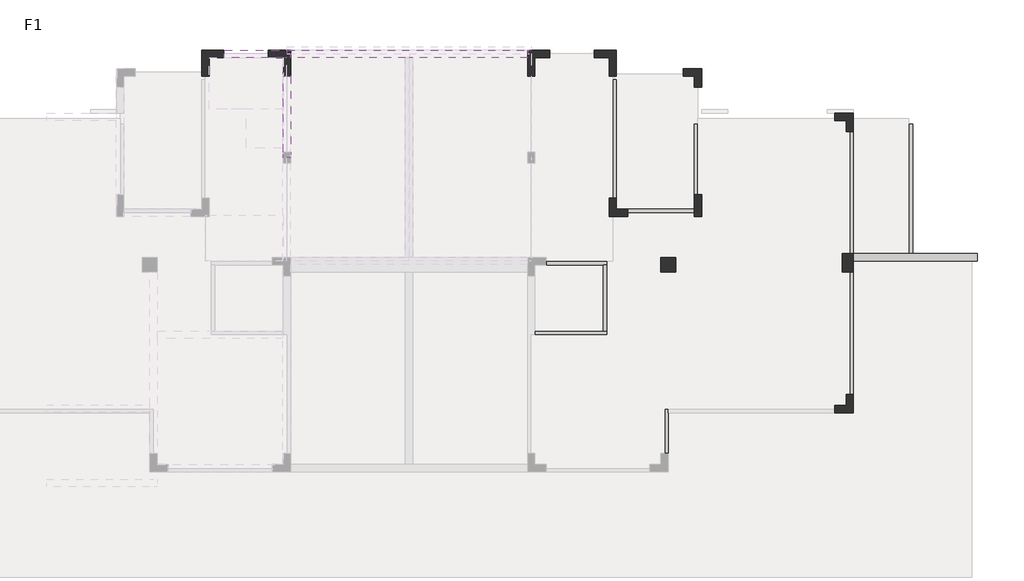
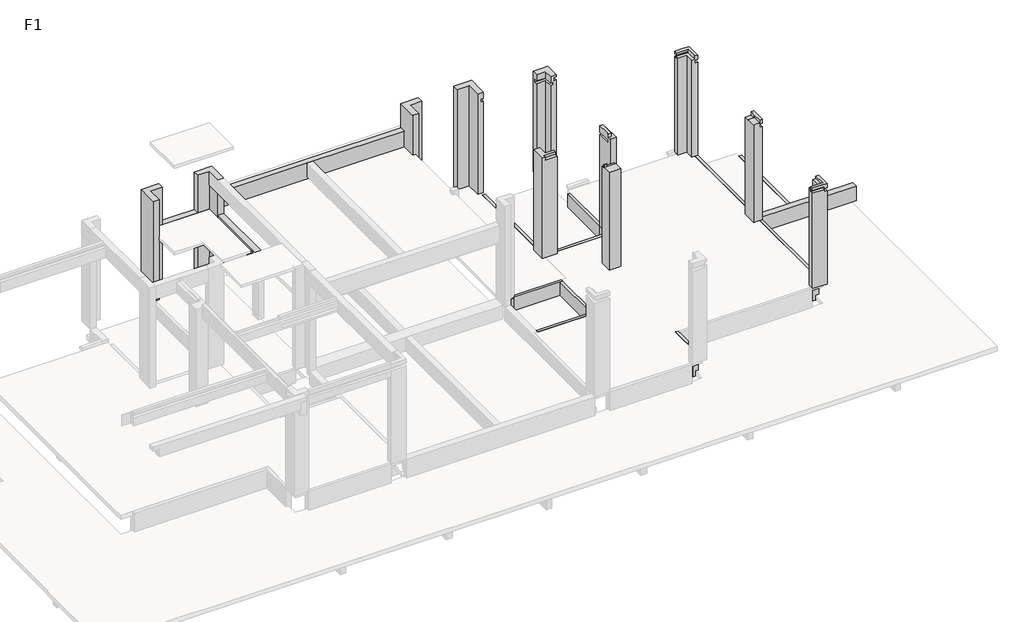
# One storey, part 4 of 4: 15 beams, 11 columns.
"""IFC4 building model written with IfcOpenShell, lengths in millimetres."""

from ifc_helpers import new_model, si_unit, frame, origin, place, context, project, spatial, polyline, outline, extrude, faceted_brep, element, save

model = new_model("IFC4")

# Units and contexts
model_context = context("Model", 3, world=origin())
ifc_project = project(units=[si_unit("LENGTHUNIT", "METRE", prefix="MILLI")], contexts=[model_context])

# Site, building, storey
site = spatial("IfcSite", under=ifc_project)
building = spatial("IfcBuilding", under=site)
storey = spatial("IfcBuildingStorey", under=building, Name="F1", Elevation=-40.0)

# Beams
placement = place(None, origin())
element("IfcBeam", 1, at=placement, inside=storey, context=model_context, shape_type="SweptSolid", body=[
    extrude(outline(polyline([(-890.0, 7632.0511192), (-890.0, 7832.0511192), (-870.0, 7832.0511192), (-870.0, 7732.0511192), (-720.0, 7732.0511192), (-720.0, 7832.0511192), (-40.0, 7832.0511192), (-40.0, 7731.9789316), (-190.0, 7731.9789316), (-190.0, 7632.0511192), (-890.0, 7632.0511192)])), frame((0.0, 4151.1929535, 0.0), z_axis=(0.0, 1.0, 0.0), x_axis=(0.0, 0.0, 1.0)), (0.0, 0.0, 1.0), 3299.9999949),
    extrude(outline(polyline([(-890.0, 7632.0511192), (-890.0, 7832.0511192), (-870.0, 7832.0511192), (-870.0, 7732.0511192), (-720.0, 7732.0511192), (-720.0, 7832.0511192), (-40.0, 7832.0511192), (-40.0, 7731.9789316), (-190.0, 7731.9789316), (-190.0, 7632.0511192), (-890.0, 7632.0511192)])), frame((0.0, 351.187898, 0.0), z_axis=(0.0, 1.0, 0.0), x_axis=(0.0, 0.0, 1.0)), (0.0, 0.0, 1.0), 3300.0050556),
])
element("IfcBeam", 2, at=placement, inside=storey, context=model_context, shape_type="Brep", body=[
    faceted_brep([(2632.0511192, 5351.187898, -890.0), (2632.0511192, 4051.1929485, -890.0), (2632.0511192, 4051.1929485, -190.0), (2632.0511192, 5151.187898, -190.0), (2632.0511192, 5151.187898, -640.0), (2632.0511192, 5251.187898, -640.0), (2632.0511192, 5251.187898, -670.0), (2632.0511192, 5351.187898, -670.0), (2832.0511192, 5351.187898, -890.0), (2832.0511192, 4051.1929485, -890.0), (2832.0511192, 5351.187898, -670.0), (2832.0511192, 5251.187898, -670.0), (2832.0511192, 5251.187898, -640.0), (2832.0511192, 5151.187898, -640.0), (2832.0511192, 5151.187898, -190.0), (2832.0511192, 4051.1929485, -190.0)], [[[0, 1, 2, 3, 4, 5, 6, 7]], [[0, 8, 9, 1]], [[9, 8, 10, 11, 12, 13, 14, 15]], [[13, 4, 3, 14]], [[4, 13, 12, 5]], [[8, 0, 7, 10]], [[1, 9, 15, 2]], [[6, 11, 10, 7]], [[11, 6, 5, 12]], [[3, 2, 15, 14]]]),
    faceted_brep([(2632.0511192, -1248.8070515, -890.0), (2832.0511192, -1248.8070515, -890.0), (2832.0511192, -1248.8070515, -870.0), (2732.0511192, -1248.8070515, -870.0), (2732.0511192, -1248.8070515, -720.0), (2832.0511192, -1248.8070515, -720.0), (2832.0511192, -1248.8070515, -40.0), (2731.9789316, -1248.8070515, -40.0), (2731.9789316, -1248.8070515, -190.0), (2632.0511192, -1248.8070515, -190.0), (2832.0511192, 3651.1929485, -890.0), (2632.0511192, 3651.1929485, -890.0), (2632.0511192, 3651.1929485, -190.0), (2832.0511192, 3651.1929485, -190.0), (2832.0511192, -148.812102, -40.0), (2832.0511192, -48.812102, -40.0), (2731.9789316, -48.812102, -40.0), (2632.0511192, 1851.187898, -190.0), (2632.0511192, 2051.187898, -190.0), (2832.0511192, 51.187898, -890.0), (2832.0511192, -148.812102, -890.0), (2832.0511192, 51.187898, -190.0), (2832.0511192, -48.812102, -190.0), (2832.0511192, -148.812102, -720.0), (2832.0511192, -98.0569283, -720.0), (2832.0511192, -98.0569283, -870.0), (2832.0511192, -148.812102, -870.0), (2732.0511192, -98.0569283, -870.0), (2732.0511192, -98.0569283, -720.0), (2731.9789316, -48.812102, -190.0)], [[[0, 1, 2, 3, 4, 5, 6, 7, 8, 9]], [[10, 11, 12, 13]], [[7, 6, 14, 15, 16]], [[11, 0, 9, 17, 18, 12]], [[1, 0, 11, 10, 19, 20]], [[1, 20, 19, 10, 13, 21, 22, 15, 14, 6, 5, 23, 24, 25, 26, 2]], [[25, 27, 3, 2, 26]], [[4, 28, 24, 23, 5]], [[27, 28, 4, 3]], [[28, 27, 25, 24]], [[8, 29, 22, 21, 13, 12, 18, 17, 9]], [[16, 29, 8, 7]], [[29, 16, 15, 22]]]),
])
element("IfcBeam", 3, at=placement, inside=storey, context=model_context, shape_type="Brep", body=[
    faceted_brep([(10882.040023, 4051.187898, -720.0), (10882.040023, 4151.187898, -720.0), (9432.0511192, 4151.187898, -720.0), (9332.0511192, 4151.187898, -720.0), (9332.0511192, 4051.187898, -720.0), (7832.0104701, 3951.187898, -1220.0), (10882.040023, 3951.187898, -1220.0), (10882.040023, 3951.187898, -870.0), (7832.0104701, 3951.187898, -870.0), (10882.040023, 4151.187898, -1220.0), (7832.0104701, 4151.187898, -1220.0), (9232.0511192, 4151.187898, -1220.0), (9432.0511192, 4151.187898, -1220.0), (7832.0104701, 4151.187898, -870.0), (9232.0511192, 4151.187898, -870.0), (9332.0511192, 4151.187898, -870.0), (10882.040023, 4051.187898, -870.0), (9332.0511192, 4051.187898, -870.0)], [[[0, 1, 2, 3, 4]], [[5, 6, 7, 8]], [[9, 6, 5, 10, 11, 12]], [[1, 9, 12, 11, 10, 13, 14, 15, 3, 2]], [[6, 9, 1, 0, 16, 7]], [[10, 5, 8, 13]], [[16, 17, 15, 14, 13, 8, 7]], [[17, 4, 3, 15]], [[4, 17, 16, 0]]]),
])
element("IfcBeam", 4, at=placement, inside=storey, context=model_context, shape_type="SweptSolid", body=[
    extrude(outline(polyline([(7532.0104701, 4051.187898), (7532.0104701, 3851.187898), (3032.0511192, 3851.187898), (3032.0511192, 4051.187898), (7532.0104701, 4051.187898)])), frame((0.0, 0.0, -540.0), z_axis=(0.0, 0.0, 1.0), x_axis=(1.0, 0.0, 0.0)), (0.0, 0.0, 1.0), 350.0),
])
element("IfcBeam", 5, at=placement, inside=storey, context=model_context, shape_type="Brep", body=[
    faceted_brep([(-467.985891, 3851.187898, -40.0), (1082.0530225, 3851.187898, -40.0), (1181.9808349, 3851.187898, -40.0), (1181.9808349, 3951.187898, -40.0), (-467.985891, 3951.187898, -40.0), (-467.985891, 3851.187898, -520.0), (1082.0530225, 3851.187898, -520.0), (1182.0530225, 3851.187898, -520.0), (1182.0530225, 3851.187898, -640.0), (1282.0530225, 3851.187898, -640.0), (2632.0511192, 3851.187898, -640.0), (2632.0511192, 3851.187898, -190.0), (1282.0530225, 3851.187898, -190.0), (1181.9808349, 3851.187898, -190.0), (-467.985891, 4051.187898, -640.0), (1232.0511192, 4051.187898, -640.0), (1432.0511192, 4051.187898, -640.0), (2632.0511192, 4051.187898, -640.0), (1182.0530225, 3950.9392838, -640.0), (-467.985891, 3950.9392838, -640.0), (-467.985891, 4051.187898, -140.0), (1232.0511192, 4051.187898, -140.0), (1332.0511192, 4051.187898, -140.0), (1332.0511192, 4051.187898, -190.0), (1432.0511192, 4051.187898, -190.0), (2632.0511192, 4051.187898, -190.0), (-467.985891, 3951.187898, -140.0), (-467.985891, 3950.9392838, -520.0), (1182.0530225, 3950.9392838, -520.0), (1181.9808349, 3951.187898, -190.0), (1181.9808349, 3951.187898, -140.0), (1332.0511192, 3951.187898, -190.0), (1332.0511192, 3951.187898, -140.0)], [[[0, 1, 2, 3, 4]], [[0, 5, 6, 7, 8, 9, 10, 11, 12, 13, 2, 1]], [[14, 15, 16, 17, 10, 9, 8, 18, 19]], [[17, 16, 15, 14, 20, 21, 22, 23, 24, 25]], [[5, 0, 4, 26, 20, 14, 19, 27]], [[10, 17, 25, 11]], [[28, 7, 6, 5, 27]], [[7, 28, 18, 8]], [[28, 27, 19, 18]], [[2, 13, 29, 30, 3]], [[29, 13, 12, 11, 25, 24, 23, 31]], [[29, 31, 32, 30]], [[31, 23, 22, 32]], [[26, 30, 32, 22, 21, 20]], [[30, 26, 4, 3]]]),
])
element("IfcBeam", 6, at=placement, inside=storey, context=model_context, shape_type="SweptSolid", body=[
    extrude(outline(polyline([(-40.0, 3532.0511192), (-520.0, 3532.0511192), (-520.0, 3632.0511192), (-640.0, 3632.0511192), (-640.0, 3732.0511192), (-190.0, 3732.0511192), (-190.0, 3631.9789316), (-40.0, 3631.9789316), (-40.0, 3532.0511192)])), frame((0.0, 5751.187898, 0.0), z_axis=(0.0, 1.0, 0.0), x_axis=(0.0, 0.0, 1.0)), (0.0, 0.0, 1.0), 1900.0050505),
])
element("IfcBeam", 7, at=placement, inside=storey, context=model_context, shape_type="Brep", body=[
    faceted_brep([(3532.0511192, 5351.187898, -40.0), (1732.0511192, 5351.187898, -40.0), (1732.0511192, 5251.187898, -40.0), (3532.0511192, 5251.187898, -40.0), (1732.0511192, 5151.187898, -640.0), (2632.0511192, 5151.187898, -640.0), (2832.0511192, 5151.187898, -640.0), (3532.0511192, 5151.187898, -640.0), (3532.0511192, 5151.187898, -190.0), (2832.0511192, 5151.187898, -190.0), (2632.0511192, 5151.187898, -190.0), (1732.0511192, 5151.187898, -190.0), (1732.0511192, 5251.187898, -640.0), (2632.0511192, 5251.187898, -640.0), (2832.0511192, 5251.187898, -640.0), (3532.0511192, 5251.187898, -640.0), (3532.0511192, 5351.187898, -520.0), (1732.0511192, 5351.187898, -520.0), (3532.0511192, 5251.187898, -520.0), (3532.0511192, 5251.187898, -190.0), (1732.0511192, 5251.187898, -190.0), (1732.0511192, 5251.187898, -520.0)], [[[0, 1, 2, 3]], [[4, 5, 6, 7, 8, 9, 10, 11]], [[7, 6, 5, 4, 12, 13, 14, 15]], [[1, 0, 16, 17]], [[7, 15, 18, 16, 0, 3, 19, 8]], [[12, 4, 11, 20, 2, 1, 17, 21]], [[18, 21, 17, 16]], [[21, 18, 15, 14, 13, 12]], [[20, 19, 3, 2]], [[19, 20, 11, 10, 9, 8]]]),
])
element("IfcBeam", 8, at=placement, inside=storey, context=model_context, shape_type="SweptSolid", body=[
    extrude(outline(polyline([(-640.0, 1232.0511192), (-640.0, 1432.0511192), (-190.0, 1432.0511192), (-190.0, 1332.0511192), (-140.0, 1332.0511192), (-140.0, 1232.0511192), (-640.0, 1232.0511192)])), frame((0.0, 4051.187898, 0.0), z_axis=(0.0, 1.0, 0.0), x_axis=(0.0, 0.0, 1.0)), (0.0, 0.0, 1.0), 1100.0),
    extrude(outline(polyline([(-520.0, 1432.0511192), (-40.0, 1432.0511192), (-40.0, 1332.0511192), (-140.0, 1332.0511192), (-140.0, 1232.0511192), (-640.0, 1232.0511192), (-640.0, 1382.0141323), (-520.0, 1382.0141323), (-520.0, 1432.0511192)])), frame((0.0, 5651.187898, 0.0), z_axis=(0.0, 1.0, 0.0), x_axis=(0.0, 0.0, 1.0)), (0.0, 0.0, 1.0), 3200.0100032),
])
element("IfcBeam", 9, at=placement, inside=storey, context=model_context, shape_type="Brep", body=[
    faceted_brep([(1181.9808349, 2051.187898, -40.0), (1082.0530225, 2051.187898, -40.0), (-767.9488808, 2051.187898, -40.0), (-767.9488808, 1951.187898, -40.0), (1181.9808349, 1951.187898, -40.0), (-767.9488808, 1851.187898, -640.0), (2632.0511192, 1851.187898, -640.0), (2632.0511192, 1851.187898, -190.0), (-767.9488808, 1851.187898, -190.0), (2632.0511192, 2051.187898, -640.0), (-767.9488808, 1951.187898, -640.0), (1182.0530225, 1951.187898, -640.0), (1182.0530225, 2051.187898, -640.0), (1282.0530225, 2051.187898, -640.0), (1182.0530225, 2051.187898, -520.0), (1082.0530225, 2051.187898, -520.0), (-767.9488808, 2051.187898, -520.0), (1181.9808349, 2051.187898, -190.0), (1282.0530225, 2051.187898, -190.0), (2632.0511192, 2051.187898, -190.0), (-767.9488808, 1951.187898, -190.0), (-767.9488808, 1951.187898, -520.0), (1182.0530225, 1951.187898, -520.0), (1181.9808349, 1951.187898, -190.0)], [[[0, 1, 2, 3, 4]], [[5, 6, 7, 8]], [[9, 6, 5, 10, 11, 12, 13]], [[9, 13, 12, 14, 15, 16, 2, 1, 0, 17, 18, 19]], [[6, 9, 19, 7]], [[10, 5, 8, 20, 3, 2, 16, 21]], [[14, 22, 21, 16, 15]], [[22, 14, 12, 11]], [[21, 22, 11, 10]], [[4, 23, 17, 0]], [[23, 4, 3, 20]], [[17, 23, 20, 8, 7, 19, 18]]]),
])
element("IfcBeam", 10, at=placement, inside=storey, context=model_context, shape_type="SweptSolid", body=[
    extrude(outline(polyline([(-40.0, 1082.0530225), (-520.0, 1082.0530225), (-520.0, 1182.0530225), (-640.0, 1182.0530225), (-640.0, 1282.0530225), (-190.0, 1282.0530225), (-190.0, 1181.9808349), (-40.0, 1181.9808349), (-40.0, 1082.0530225)])), frame((0.0, 2051.187898, 0.0), z_axis=(0.0, 1.0, 0.0), x_axis=(0.0, 0.0, 1.0)), (0.0, 0.0, 1.0), 1800.0),
])
element("IfcBeam", 11, at=placement, inside=storey, context=model_context, shape_type="SweptSolid", body=[
    extrude(outline(polyline([(-1220.0, 9432.0511192), (-720.0, 9432.0511192), (-720.0, 9332.0511192), (-870.0, 9332.0511192), (-870.0, 9232.0511192), (-1220.0, 9232.0511192), (-1220.0, 9432.0511192)])), frame((0.0, 4151.187898, 0.0), z_axis=(0.0, 1.0, 0.0), x_axis=(0.0, 0.0, 1.0)), (0.0, 0.0, 1.0), 3500.0050505),
])
element("IfcBeam", 12, at=placement, inside=storey, context=model_context, shape_type="Brep", body=[
    faceted_brep([(-9154.7849746, 9651.187898, 2210.0), (-9154.7849746, 9651.187898, 1710.0), (-9154.7849746, 9451.187898, 1710.0), (-9154.7849746, 9451.187898, 2210.0), (-7468.0210684, 9451.187898, 2210.0), (-7468.0210684, 9651.187898, 2210.0), (-7568.0210684, 9451.187898, 2210.0), (-7468.0210684, 9451.187898, 1710.0), (-7468.0210684, 9651.187898, 1710.0)], [[[0, 1, 2, 3]], [[4, 5, 0, 3, 6]], [[7, 4, 6, 3, 2]], [[8, 7, 2, 1]], [[5, 8, 1, 0]], [[5, 4, 7, 8]]]),
])
element("IfcBeam", 13, at=placement, inside=storey, context=model_context, shape_type="Brep", body=[
    faceted_brep([(-867.8766931, 9651.9441425, 2700.0), (-7449.8965736, 9651.9441425, 2700.0), (-7449.8965736, 9651.187898, 2700.0), (-7368.0210684, 9651.187898, 2700.0), (-7368.0210684, 9451.9441425, 2700.0), (-4267.9488808, 9451.9441425, 2700.0), (-4067.9488808, 9451.9441425, 2700.0), (-967.8766931, 9451.9441425, 2700.0), (-967.8766931, 9651.187898, 2700.0), (-867.8766931, 9651.187898, 2700.0), (-7368.0210684, 9451.9441425, 2000.0), (-967.8766931, 9451.9441425, 2000.0), (-7449.8965736, 9651.9441425, 2000.0), (-867.8766931, 9651.9441425, 2000.0), (-867.8766931, 9651.187898, 2000.0), (-967.8766931, 9651.187898, 2000.0), (-7368.0210684, 9651.187898, 2000.0), (-7449.8965736, 9651.187898, 2000.0)], [[[0, 1, 2, 3, 4, 5, 6, 7, 8, 9]], [[4, 10, 11, 7, 6, 5]], [[12, 13, 14, 15, 11, 10, 16, 17]], [[1, 0, 13, 12]], [[1, 12, 17, 2]], [[4, 3, 16, 10]], [[3, 2, 17, 16]], [[15, 8, 7, 11]], [[13, 0, 9, 14]], [[8, 15, 14, 9]]]),
])
element("IfcBeam", 14, at=placement, inside=storey, context=model_context, shape_type="Brep", body=[
    faceted_brep([(11182.0511192, 3951.187898, -190.0), (11182.0511192, 4151.187898, -190.0), (7832.0104701, 4151.187898, -190.0), (7832.0104701, 3951.187898, -190.0), (11182.0511192, 3951.187898, -720.0), (7832.0104701, 3951.187898, -720.0), (11182.0511192, 4151.187898, -720.0), (7832.0104701, 4151.187898, -720.0), (9332.0511192, 4151.187898, -720.0), (10882.040023, 4151.187898, -720.0)], [[[0, 1, 2, 3]], [[4, 0, 3, 5]], [[6, 4, 5, 7, 8, 9]], [[1, 6, 9, 8, 7, 2]], [[1, 0, 4, 6]], [[3, 2, 7, 5]]]),
])
element("IfcBeam", 15, ObjectType="KL14 200 x 400 mm", at=placement, inside=storey, context=model_context, shape_type="Brep", body=[
    faceted_brep([(-7368.0210684, 6751.187898, 2290.0), (-7568.0210684, 6751.187898, 2290.0), (-7568.0210684, 6751.187898, 2280.0), (-7368.0210684, 6751.187898, 2280.0), (-7368.0210684, 6758.7452581, 2290.0), (-7368.0210684, 8951.187898, 2290.0), (-7568.0210684, 8951.187898, 2290.0), (-7568.0210684, 6758.7452581, 2290.0), (-7568.0210684, 8951.187898, 1890.0), (-7568.0210684, 6901.1640579, 1890.0), (-7568.0210684, 6901.1640579, 2280.0), (-7368.0210684, 8951.187898, 1890.0), (-7368.0210684, 6901.1640579, 1890.0), (-7368.0210684, 6901.1640579, 2280.0), (-7368.0210684, 6901.1640579, 2130.0), (-7368.0210684, 8951.187898, 2130.0), (-7467.9488808, 8951.187898, 2130.0), (-7467.9488808, 8951.187898, 2000.0), (-7368.0210684, 8951.187898, 2000.0), (-7467.9488808, 6901.1640579, 2000.0), (-7368.0210684, 6901.1640579, 2000.0), (-7467.9488808, 6901.1640579, 2130.0)], [[[0, 1, 2, 3]], [[1, 0, 4, 5, 6, 7]], [[1, 7, 6, 8, 9, 10, 2]], [[8, 11, 12, 9]], [[5, 4, 0, 3, 13, 14, 15]], [[6, 5, 15, 16, 17, 18, 11, 8]], [[18, 17, 19, 20]], [[16, 15, 14, 21]], [[17, 16, 21, 19]], [[11, 18, 20, 12]], [[13, 10, 9, 12, 20, 19, 21, 14]], [[10, 13, 3, 2]]]),
])

# Columns
element("IfcColumn", 16, ObjectType="KZ-2", at=placement, inside=storey, context=model_context, shape_type="Brep", body=[
    faceted_brep([(-9167.9488808, 9651.187898, -40.0), (-9167.9488808, 9451.187898, -40.0), (-9567.9488808, 9451.187898, -40.0), (-9567.9488808, 8951.187898, -40.0), (-9767.9488808, 8951.187898, -40.0), (-9767.9488808, 9651.187898, -40.0), (-9167.9488808, 9651.187898, 3560.0), (-9167.9488808, 9451.187898, 3560.0), (-9167.9488808, 9451.187898, 2210.0), (-9167.9488808, 9451.187898, 2110.0), (-9567.9488808, 9451.187898, 3560.0), (-9567.9488808, 9451.187898, 2210.0), (-9567.9488808, 9451.187898, 2110.0), (-9567.9488808, 8951.187898, 3560.0), (-9567.9488808, 8951.187898, 2210.0), (-9567.9488808, 8951.187898, 2110.0), (-9767.9488808, 8951.187898, 3560.0), (-9767.9488808, 8958.7552613, 3560.0), (-9767.9488808, 9158.7552613, 3560.0), (-9767.9488808, 9651.187898, 3560.0)], [[[0, 1, 2, 3, 4, 5]], [[1, 0, 6, 7, 8, 9]], [[2, 1, 9, 8, 7, 10, 11, 12]], [[3, 2, 12, 11, 10, 13, 14, 15]], [[4, 3, 15, 14, 13, 16]], [[5, 4, 16, 17, 18, 19]], [[0, 5, 19, 6]], [[7, 6, 19, 18, 17, 16, 13, 10]]]),
])
element("IfcColumn", 17, ObjectType="KZ-2", at=placement, inside=storey, context=model_context, shape_type="Brep", body=[
    faceted_brep([(-7968.0210684, 9651.187898, -40.0), (-7368.0210684, 9651.187898, -40.0), (-7368.0210684, 8951.187898, -40.0), (-7568.0210684, 8951.187898, -40.0), (-7568.0210684, 9451.187898, -40.0), (-7968.0210684, 9451.187898, -40.0), (-7968.0210684, 9451.187898, 2110.0), (-7968.0210684, 9451.187898, 2210.0), (-7968.0210684, 9451.187898, 3560.0), (-7968.0210684, 9651.187898, 3560.0), (-7568.0210684, 9451.187898, 2110.0), (-7568.0210684, 9451.187898, 2210.0), (-7568.0210684, 9451.187898, 3560.0), (-7568.0210684, 8951.187898, 2110.0), (-7568.0210684, 8951.187898, 2210.0), (-7568.0210684, 8951.187898, 3560.0), (-7368.0210684, 8951.187898, 3560.0), (-7368.0210684, 9651.187898, 3560.0)], [[[0, 1, 2, 3, 4, 5]], [[0, 5, 6, 7, 8, 9]], [[5, 4, 10, 11, 12, 8, 7, 6]], [[4, 3, 13, 14, 15, 12, 11, 10]], [[3, 2, 16, 15, 14, 13]], [[2, 1, 17, 16]], [[1, 0, 9, 17]], [[9, 8, 12, 15, 16, 17]]]),
])
element("IfcColumn", 18, ObjectType="KZ-2", at=placement, inside=storey, context=model_context, shape_type="Brep", body=[
    faceted_brep([(-967.8766931, 9651.187898, -40.0), (-367.8766931, 9651.187898, -40.0), (-367.8766931, 9451.187898, -40.0), (-767.8766931, 9451.187898, -40.0), (-767.8766931, 8951.187898, -40.0), (-967.8766931, 8951.187898, -40.0), (-967.8766931, 9451.1929646, -40.0), (-367.8766931, 9651.187898, 1790.0), (-367.8766931, 9651.187898, 2290.0), (-367.8766931, 9651.187898, 3560.0), (-367.8766931, 9451.187898, 3560.0), (-367.8766931, 9451.187898, 2290.0), (-367.8766931, 9451.187898, 1790.0), (-759.2899804, 9451.187898, 3560.0), (-767.8766931, 9451.187898, 3560.0), (-767.8766931, 9451.187898, 3080.0), (-767.8766931, 8951.187898, 3560.0), (-767.8766931, 8951.187898, 3080.0), (-767.8766931, 8951.187898, 2290.0), (-767.8766931, 8951.187898, 1890.0), (-959.2899804, 8951.187898, 3560.0), (-967.8766931, 8951.187898, 3560.0), (-967.8766931, 8951.187898, 2290.0), (-967.8766931, 8951.187898, 2130.0), (-867.9488808, 8951.187898, 2130.0), (-867.9488808, 8951.187898, 2000.0), (-967.8766931, 8951.187898, 2000.0), (-967.8766931, 8951.187898, 1890.0), (-967.8766931, 9551.187898, 2000.0), (-967.8766931, 9551.187898, 2130.0), (-967.8766931, 9651.187898, 3560.0), (-967.8766931, 9651.187898, 2700.0), (-967.8766931, 9651.187898, 2000.0), (-867.9488808, 9551.187898, 2000.0), (-867.9488808, 9551.187898, 2130.0)], [[[0, 1, 2, 3, 4, 5, 6]], [[2, 1, 7, 8, 9, 10, 11, 12]], [[3, 2, 12, 11, 10, 13, 14, 15]], [[4, 3, 15, 14, 16, 17, 18, 19]], [[5, 4, 19, 18, 17, 16, 20, 21, 22, 23, 24, 25, 26, 27]], [[0, 6, 5, 27, 26, 28, 29, 23, 22, 21, 30, 31, 32]], [[1, 0, 32, 31, 30, 9, 8, 7]], [[10, 9, 30, 21, 20, 16, 14, 13]], [[25, 33, 28, 26]], [[29, 34, 24, 23]], [[34, 33, 25, 24]], [[33, 34, 29, 28]]]),
])
element("IfcColumn", 19, ObjectType="KZ-2", at=placement, inside=storey, context=model_context, shape_type="Brep", body=[
    faceted_brep([(831.9067439, 9651.187898, -40.0), (1431.9067439, 9651.187898, -40.0), (1431.9067439, 8951.187898, -40.0), (1231.9067439, 8951.187898, -40.0), (1231.9067439, 9451.187898, -40.0), (831.9067439, 9451.187898, -40.0), (831.9067439, 9451.187898, 1790.0), (831.9067439, 9451.187898, 2290.0), (831.9067439, 9451.187898, 3560.0), (831.9067439, 9651.187898, 3560.0), (831.9067439, 9651.187898, 2290.0), (831.9067439, 9651.187898, 1790.0), (1231.9067439, 9451.187898, 3560.0), (1231.9067439, 8951.187898, 3560.0), (1431.9067439, 8951.187898, 3230.0), (1336.1661028, 8951.187898, 3230.0), (1336.1661028, 8951.187898, 3330.0), (1431.9067439, 8951.187898, 3330.0), (1431.9067439, 8951.187898, 3560.0), (1431.9067439, 9651.187898, 3560.0), (1431.9067439, 9158.7552613, 3560.0), (1431.9067439, 8958.7552613, 3560.0), (1431.9067439, 8958.7552613, 3330.0), (1431.9067439, 9051.1979011, 3330.0), (1431.9067439, 9051.1979011, 3230.0), (1431.9067439, 8958.7552613, 3230.0), (1336.1661028, 9051.1979011, 3230.0), (1336.1661028, 9051.1979011, 3330.0)], [[[0, 1, 2, 3, 4, 5]], [[0, 5, 6, 7, 8, 9, 10, 11]], [[5, 4, 12, 8, 7, 6]], [[4, 3, 13, 12]], [[3, 2, 14, 15, 16, 17, 18, 13]], [[2, 1, 19, 20, 21, 18, 17, 22, 23, 24, 25, 14]], [[1, 0, 11, 10, 9, 19]], [[9, 8, 12, 13, 18, 21, 20, 19]], [[26, 15, 14, 25, 24]], [[27, 23, 22, 17, 16]], [[26, 27, 16, 15]], [[27, 26, 24, 23]]]),
])
element("IfcColumn", 20, ObjectType="KZ-4", at=placement, inside=storey, context=model_context, shape_type="Brep", body=[
    faceted_brep([(3232.0511192, 8951.1979011, -40.0), (3232.0511192, 9151.1979011, -40.0), (3732.0511192, 9151.1979011, -40.0), (3732.0511192, 8651.1979011, -40.0), (3532.0511192, 8651.1979011, -40.0), (3532.0511192, 8951.1979011, -40.0), (3232.0511192, 8951.1979011, 3230.0), (3232.0511192, 8958.7552613, 3230.0), (3232.0511192, 9051.1979011, 3230.0), (3232.0511192, 9051.1979011, 3330.0), (3232.0511192, 8958.7552613, 3330.0), (3232.0511192, 8951.1979011, 3330.0), (3232.0511192, 8951.1979011, 3560.0), (3232.0511192, 8958.7552613, 3560.0), (3232.0511192, 9151.1979011, 3560.0), (3232.0511192, 9151.1979011, 3080.0), (3532.0511192, 8951.1979011, 3560.0), (3532.0511192, 8951.1979011, 3330.0), (3532.0511192, 8651.1979011, 3560.0), (3532.0511192, 8651.1979011, 3330.0), (3732.0511192, 8651.1979011, 3080.0), (3732.0511192, 8651.1979011, 3380.0), (3636.2886061, 8651.1979011, 3380.0), (3636.2886061, 8651.1979011, 3480.0), (3732.0511192, 8651.1979011, 3480.0), (3732.0511192, 8651.1979011, 3560.0), (3536.2886061, 8651.1979011, 3560.0), (3632.0511192, 8651.1979011, 3330.0), (3632.0511192, 8651.1979011, 3230.0), (3532.0511192, 8651.1979011, 3230.0), (3732.0511192, 9151.1979011, 3080.0), (3732.0511192, 9151.1979011, 3560.0), (3732.0511192, 9051.6953797, 3480.0), (3732.0511192, 9051.6953797, 3380.0), (3536.2886061, 9151.1979011, 3560.0), (3636.2886061, 9051.6953797, 3380.0), (3636.2886061, 9051.6953797, 3480.0), (3632.0511192, 9051.1979011, 3230.0), (3532.0511192, 8951.1979011, 3230.0), (3632.0511192, 9051.1979011, 3330.0)], [[[0, 1, 2, 3, 4, 5]], [[1, 0, 6, 7, 8, 9, 10, 11, 12, 13, 14, 15]], [[16, 12, 11, 17]], [[18, 16, 17, 19]], [[4, 3, 20, 21, 22, 23, 24, 25, 26, 18, 19, 27, 28, 29]], [[3, 2, 30, 31, 25, 24, 32, 33, 21, 20]], [[2, 1, 15, 14, 34, 31, 30]], [[14, 13, 12, 16, 18, 26, 25, 31, 34]], [[35, 22, 21, 33]], [[36, 32, 24, 23]], [[35, 36, 23, 22]], [[36, 35, 33, 32]], [[28, 37, 8, 7, 6, 38, 29]], [[9, 39, 27, 19, 17, 11, 10]], [[39, 37, 28, 27]], [[37, 39, 9, 8]], [[0, 5, 38, 6]], [[5, 4, 29, 38]]]),
])
element("IfcColumn", 21, ObjectType="KZ-4", at=placement, inside=storey, context=model_context, shape_type="Brep", body=[
    faceted_brep([(7332.0104701, 7751.187898, -40.0), (7332.0104701, 7951.187898, -40.0), (7832.0104701, 7951.187898, -40.0), (7832.0104701, 7451.187898, -40.0), (7632.0104701, 7451.187898, -40.0), (7632.0104701, 7751.187898, -40.0), (7332.0104701, 7951.187898, 3560.0), (7332.0104701, 7951.187898, 3480.0), (7332.0104701, 7851.187898, 3480.0), (7332.0104701, 7851.187898, 3560.0), (7632.0104701, 7751.187898, 3440.0), (7332.0104701, 7751.187898, 3440.0), (7332.0104701, 7751.187898, 3080.0), (7632.0104701, 7451.187898, 3440.0), (7832.0104701, 7451.187898, 3080.0), (7832.0104701, 7451.187898, 3300.0), (7736.2868177, 7451.187898, 3300.0), (7736.2868177, 7451.187898, 3410.0), (7832.0104701, 7451.187898, 3410.0), (7832.0104701, 7451.187898, 3560.0), (7732.0511192, 7451.187898, 3560.0), (7732.0511192, 7451.187898, 3440.0), (7636.2868177, 7451.187898, 3440.0), (7832.0104701, 7951.187898, 3560.0), (7832.0104701, 7951.187898, 3410.0), (7332.0104701, 7951.187898, 3080.0), (7332.0104701, 7951.187898, 3380.0), (7636.2868177, 7951.187898, 3380.0), (7735.7877119, 7951.187898, 3380.0), (7735.7877119, 7951.187898, 3480.0), (7636.2868177, 7951.187898, 3480.0), (7636.2868177, 7951.187898, 3560.0), (7736.2868177, 7951.187898, 3410.0), (7736.2868177, 7951.187898, 3300.0), (7832.0104701, 7951.187898, 3300.0), (7832.0104701, 7951.187898, 3080.0), (7732.0511192, 7851.187898, 3560.0), (7332.0104701, 7851.187898, 3380.0), (7735.7877119, 7851.187898, 3380.0), (7735.7877119, 7851.187898, 3480.0), (7732.0511192, 7851.187898, 3480.0), (7332.0104701, 7851.187898, 3440.0), (7732.0511192, 7851.187898, 3440.0)], [[[0, 1, 2, 3, 4, 5]], [[6, 7, 8, 9]], [[0, 5, 10, 11, 12]], [[5, 4, 13, 10]], [[4, 3, 14, 15, 16, 17, 18, 19, 20, 21, 22, 13]], [[23, 19, 18, 24]], [[2, 1, 25, 26, 27, 28, 29, 30, 7, 6, 31, 23, 24, 32, 33, 34, 35]], [[19, 23, 31, 6, 9, 36, 20]], [[33, 16, 15, 34]], [[17, 32, 24, 18]], [[16, 33, 32, 17]], [[3, 2, 35, 34, 15, 14]], [[37, 38, 28, 27, 26]], [[29, 39, 40, 8, 7, 30]], [[39, 38, 37, 41, 42, 40]], [[38, 39, 29, 28]], [[21, 42, 41, 11, 10, 13, 22]], [[36, 40, 42, 21, 20]], [[40, 36, 9, 8]], [[1, 0, 12, 11, 41, 37, 26, 25]]]),
])
element("IfcColumn", 22, ObjectType="KZ-4", at=placement, inside=storey, context=model_context, shape_type="Brep", body=[
    faceted_brep([(1732.0511192, 5351.187898, -40.0), (1732.0511192, 5151.187898, -40.0), (1232.0511192, 5151.187898, -40.0), (1232.0511192, 5651.187898, -40.0), (1432.0511192, 5651.187898, -40.0), (1432.0511192, 5351.187898, -40.0), (1732.0511192, 5351.187898, 3080.0), (1732.0511192, 5351.187898, 3230.0), (1732.0511192, 5258.7503099, 3230.0), (1732.0511192, 5258.7503099, 3330.0), (1732.0511192, 5351.187898, 3330.0), (1732.0511192, 5351.187898, 3560.0), (1732.0511192, 5258.7503099, 3560.0), (1732.0511192, 5258.7503099, 3460.0), (1732.0511192, 5158.7503099, 3460.0), (1732.0511192, 5151.187898, 3460.0), (1432.0511192, 5351.187898, 3560.0), (1432.0511192, 5351.187898, 3330.0), (1432.0511192, 5651.187898, 3560.0), (1432.0511192, 5358.7503099, 3560.0), (1432.0511192, 5358.7503099, 3330.0), (1432.0511192, 5651.187898, 3330.0), (1232.0511192, 5651.187898, 3080.0), (1232.0511192, 5651.187898, 3560.0), (1336.1661028, 5651.187898, 3330.0), (1336.1661028, 5651.187898, 3230.0), (1432.0511192, 5651.187898, 3230.0), (1432.0511192, 5651.187898, 3080.0), (1232.0511192, 5151.187898, 3080.0), (1232.0511192, 5151.187898, 3560.0), (1432.0511192, 5151.187898, 3460.0), (1332.0511192, 5151.187898, 3460.0), (1332.0511192, 5151.187898, 3560.0), (1332.0511192, 5258.7503099, 3560.0), (1336.1661028, 5258.7503099, 3230.0), (1432.0511192, 5351.187898, 3230.0), (1432.0511192, 5358.7503099, 3230.0), (1336.1661028, 5258.7503099, 3330.0), (1432.0511192, 5351.187898, 3080.0), (1332.0511192, 5258.7503099, 3460.0)], [[[0, 1, 2, 3, 4, 5]], [[1, 0, 6, 7, 8, 9, 10, 11, 12, 13, 14, 15]], [[16, 11, 10, 17]], [[18, 19, 16, 17, 20, 21]], [[4, 3, 22, 23, 18, 21, 24, 25, 26, 27]], [[3, 2, 28, 29, 23, 22]], [[2, 1, 15, 30, 31, 32, 29, 28]], [[11, 16, 19, 18, 23, 29, 32, 33, 12]], [[25, 34, 8, 7, 35, 36, 26]], [[9, 37, 24, 21, 20, 17, 10]], [[37, 34, 25, 24]], [[34, 37, 9, 8]], [[0, 5, 38, 35, 7, 6]], [[5, 4, 27, 26, 36, 35, 38]], [[39, 31, 30, 15, 14, 13]], [[39, 33, 32, 31]], [[33, 39, 13, 12]]]),
])
element("IfcColumn", 23, ObjectType="KZ-4", at=placement, inside=storey, context=model_context, shape_type="Brep", body=[
    faceted_brep([(7632.0511192, 351.187898, -40.0), (7832.0511192, 351.187898, -40.0), (7832.0511192, -148.812102, -40.0), (7332.0511192, -148.812102, -40.0), (7332.0511192, 51.187898, -40.0), (7632.0511192, 51.187898, -40.0), (7632.0511192, 351.187898, 3460.0), (7636.2868177, 351.187898, 3460.0), (7736.2868177, 351.187898, 3460.0), (7736.2868177, 351.187898, 3560.0), (7832.0511192, 351.187898, 3560.0), (7832.0511192, 351.187898, 3410.0), (7736.2868177, 351.187898, 3410.0), (7736.2868177, 351.187898, 3300.0), (7832.0511192, 351.187898, 3300.0), (7832.0511192, 351.187898, 3080.0), (7632.0511192, 51.187898, 3460.0), (7332.0511192, 51.187898, 3460.0), (7332.0511192, -148.812102, 3480.0), (7332.0511192, -148.812102, 3560.0), (7332.0511192, -48.812102, 3560.0), (7332.0511192, -48.812102, 3480.0), (7832.0511192, -148.812102, 3080.0), (7832.0511192, -148.812102, 3300.0), (7736.2868177, -148.812102, 3300.0), (7736.2868177, -148.812102, 3410.0), (7832.0511192, -148.812102, 3410.0), (7832.0511192, -148.812102, 3560.0), (7636.2868177, -148.812102, 3560.0), (7636.2868177, -148.812102, 3480.0), (7732.0511192, -148.812102, 3480.0), (7732.0511192, -148.812102, 3380.0), (7636.2868177, -148.812102, 3380.0), (7332.0511192, -148.812102, 3380.0), (7736.2868177, -48.812102, 3560.0), (7732.0511192, -48.812102, 3380.0), (7332.0511192, -48.812102, 3380.0), (7732.0511192, -48.812102, 3480.0), (7732.0511192, -48.812102, 3460.0), (7332.0511192, -48.812102, 3460.0), (7736.2868177, -48.812102, 3460.0)], [[[0, 1, 2, 3, 4, 5]], [[1, 0, 6, 7, 8, 9, 10, 11, 12, 13, 14, 15]], [[0, 5, 16, 6]], [[5, 4, 17, 16]], [[18, 19, 20, 21]], [[3, 2, 22, 23, 24, 25, 26, 27, 28, 19, 18, 29, 30, 31, 32, 33]], [[10, 27, 26, 11]], [[19, 28, 27, 10, 9, 34, 20]], [[13, 24, 23, 14]], [[25, 12, 11, 26]], [[24, 13, 12, 25]], [[2, 1, 15, 14, 23, 22]], [[31, 35, 36, 33, 32]], [[37, 30, 29, 18, 21]], [[35, 31, 30, 37, 38]], [[36, 35, 38, 39]], [[38, 40, 8, 7, 6, 16, 17, 39]], [[34, 40, 38, 37, 21, 20]], [[40, 34, 9, 8]], [[4, 3, 33, 36, 39, 17]]]),
])
element("IfcColumn", 24, ObjectType="KZ-5", at=placement, inside=storey, context=model_context, shape_type="Brep", body=[
    faceted_brep([(7832.0104701, 4151.1929535, -40.0), (7832.0104701, 3651.1929535, -40.0), (7532.0104701, 3651.1929535, -40.0), (7532.0104701, 4151.1929535, -40.0), (7832.0104701, 4151.1929535, 3560.0), (7832.0104701, 3651.1929535, 3560.0), (7832.0104701, 3651.1929535, 3410.0), (7832.0104701, 4151.1929535, 3410.0), (7532.0104701, 4151.1929535, 3440.0), (7636.2868177, 4151.1929535, 3440.0), (7732.0511192, 4151.1929535, 3440.0), (7732.0511192, 4151.1929535, 3560.0), (7736.2868177, 4151.1929535, 3410.0), (7736.2868177, 4151.1929535, 3300.0), (7832.0104701, 4151.1929535, 3300.0), (7832.0104701, 4151.1929535, 3080.0), (7532.0104701, 3651.1929535, 3460.0), (7532.0104701, 3858.7452581, 3460.0), (7532.0104701, 3958.7452581, 3460.0), (7532.0104701, 3958.7452581, 3440.0), (7532.0104701, 4058.7452581, 3440.0), (7832.0104701, 3651.1929535, 3080.0), (7832.0104701, 3651.1929535, 3300.0), (7736.2868177, 3651.1929535, 3300.0), (7736.2868177, 3651.1929535, 3410.0), (7736.2868177, 3651.1929535, 3560.0), (7736.2868177, 3651.1929535, 3460.0), (7636.2868177, 3651.1929535, 3460.0), (7732.0511192, 3958.7452581, 3560.0), (7736.2868177, 3958.7452581, 3560.0), (7732.0511192, 3958.7452581, 3440.0), (7732.0511192, 3958.7452581, 3460.0), (7736.2868177, 3958.7452581, 3460.0)], [[[0, 1, 2, 3]], [[4, 5, 6, 7]], [[0, 3, 8, 9, 10, 11, 4, 7, 12, 13, 14, 15]], [[3, 2, 16, 17, 18, 19, 20, 8]], [[2, 1, 21, 22, 23, 24, 6, 5, 25, 26, 27, 16]], [[5, 4, 11, 28, 29, 25]], [[13, 23, 22, 14]], [[24, 12, 7, 6]], [[23, 13, 12, 24]], [[1, 0, 15, 14, 22, 21]], [[30, 10, 9, 8, 20, 19]], [[10, 30, 31, 28, 11]], [[30, 19, 18, 31]], [[32, 31, 18, 17, 16, 27, 26]], [[29, 32, 26, 25]], [[32, 29, 28, 31]]]),
])
element("IfcColumn", 25, ObjectType="KZ-6", at=placement, inside=storey, context=model_context, shape_type="Brep", body=[
    faceted_brep([(2632.0511192, 4051.1929485, -40.0), (3032.0511192, 4051.1929485, -40.0), (3032.0511192, 3651.1929485, -40.0), (2632.0511192, 3651.1929485, -40.0), (2632.0511192, 4051.1929485, 3460.0), (2732.0511192, 4051.1929485, 3460.0), (2732.0511192, 4051.1929485, 3440.0), (2832.0886236, 4051.1929485, 3440.0), (3032.0511192, 4051.1929485, 3440.0), (3032.0511192, 4051.1929485, 3080.0), (2632.0511192, 3651.1929485, 3460.0), (2632.0511192, 3858.7452581, 3460.0), (2632.0511192, 3951.187898, 3460.0), (2632.0511192, 3951.187898, 3560.0), (2632.0511192, 3958.7452581, 3560.0), (2632.0511192, 3958.7452581, 3460.0), (3032.0511192, 3651.1929485, 3460.0), (2732.0511192, 3651.1929485, 3460.0), (3032.0511192, 3958.7452581, 3440.0), (3032.0511192, 3958.7452581, 3460.0), (3032.0511192, 3858.7452581, 3460.0), (2732.0511192, 3951.187898, 3560.0), (2732.0511192, 3958.7452581, 3560.0), (2732.0511192, 3958.7452581, 3440.0), (2732.0511192, 3958.7452581, 3460.0), (2832.0886236, 3958.7452581, 3460.0), (2732.0511192, 3951.187898, 3460.0)], [[[0, 1, 2, 3]], [[1, 0, 4, 5, 6, 7, 8, 9]], [[0, 3, 10, 11, 12, 13, 14, 15, 4]], [[3, 2, 16, 17, 10]], [[2, 1, 9, 8, 18, 19, 20, 16]], [[13, 21, 22, 14]], [[6, 23, 18, 8, 7]], [[23, 6, 5, 24]], [[18, 23, 24, 25, 19]], [[16, 20, 19, 25, 24, 26, 12, 11, 10, 17]], [[12, 26, 21, 13]], [[15, 24, 5, 4]], [[24, 15, 14, 22]], [[26, 24, 22, 21]]]),
])
element("IfcColumn", 26, ObjectType="KZ-8", at=placement, inside=storey, context=model_context, shape_type="Brep", body=[
    faceted_brep([(3532.0511192, 5151.187898, -40.0), (3532.0511192, 5751.187898, -40.0), (3732.0511192, 5751.187898, -40.0), (3732.0511192, 5151.187898, -40.0), (3532.0511192, 5151.187898, 3440.0), (3532.0511192, 5158.7503099, 3440.0), (3532.0511192, 5251.187898, 3440.0), (3532.0511192, 5251.187898, 3560.0), (3532.0511192, 5358.7503099, 3560.0), (3532.0511192, 5751.187898, 3560.0), (3532.0511192, 5751.187898, 3330.0), (3532.0511192, 5358.7503099, 3330.0), (3532.0511192, 5258.7503099, 3330.0), (3532.0511192, 5258.7503099, 3230.0), (3532.0511192, 5358.7503099, 3230.0), (3532.0511192, 5751.187898, 3230.0), (3732.0511192, 5151.187898, 3440.0), (3732.0511192, 5751.187898, 3080.0), (3732.0511192, 5751.187898, 3440.0), (3632.0511192, 5751.187898, 3230.0), (3632.0511192, 5751.187898, 3330.0), (3536.2886061, 5751.187898, 3560.0), (3632.0511192, 5751.187898, 3560.0), (3632.0511192, 5751.187898, 3440.0), (3632.0511192, 5251.187898, 3560.0), (3632.0511192, 5258.7503099, 3230.0), (3632.0511192, 5258.7503099, 3330.0), (3632.0511192, 5251.187898, 3440.0)], [[[0, 1, 2, 3]], [[1, 0, 4, 5, 6, 7, 8, 9, 10, 11, 12, 13, 14, 15]], [[0, 3, 16, 4]], [[3, 2, 17, 18, 16]], [[2, 1, 15, 19, 20, 10, 9, 21, 22, 23, 18, 17]], [[9, 8, 7, 24, 22, 21]], [[13, 25, 19, 15, 14]], [[20, 26, 12, 11, 10]], [[26, 25, 13, 12]], [[25, 26, 20, 19]], [[23, 27, 6, 5, 4, 16, 18]], [[24, 27, 23, 22]], [[27, 24, 7, 6]]]),
])

save(model, "model.ifc")
